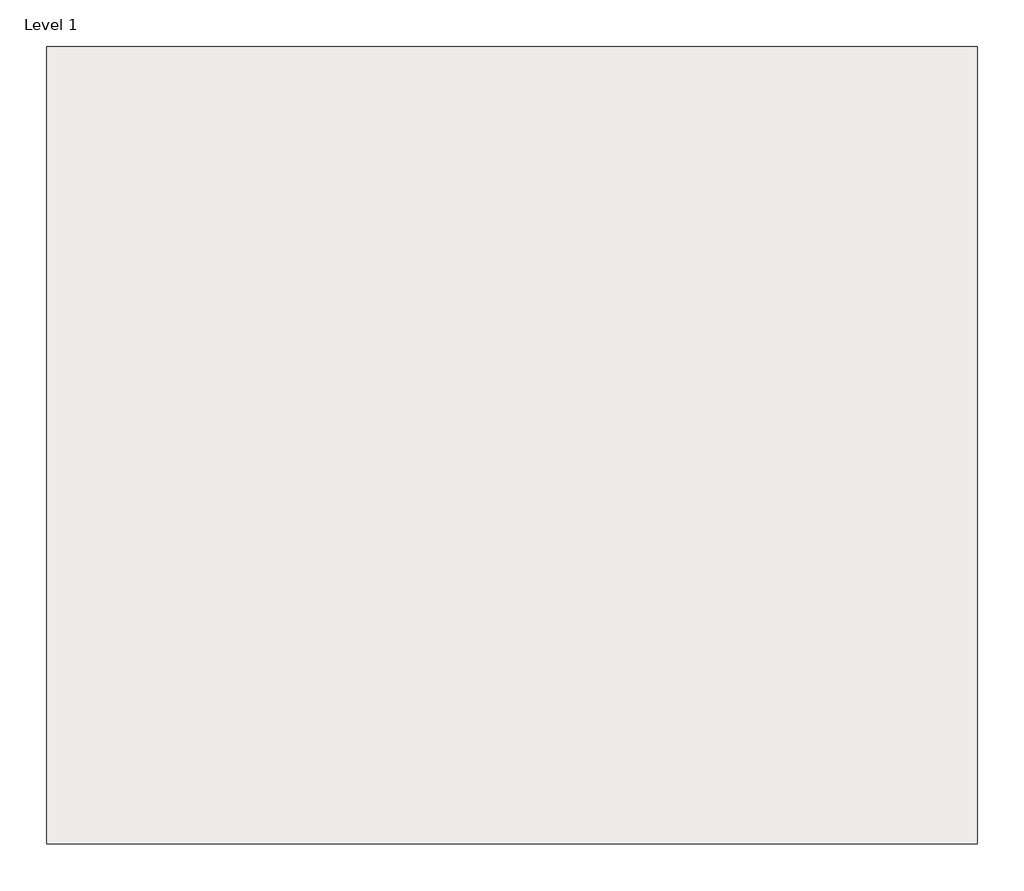
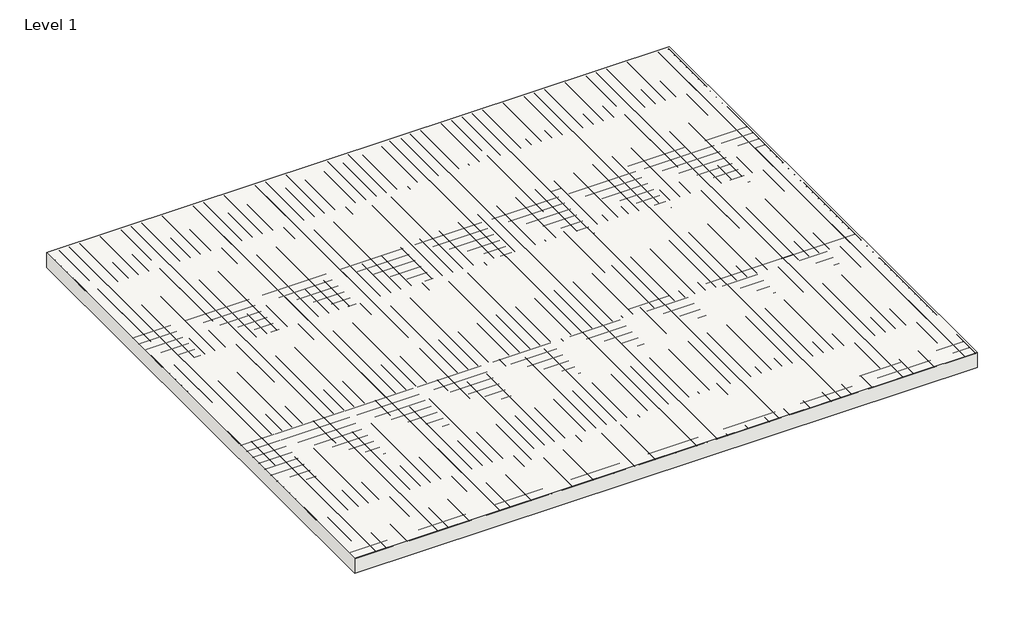
# One storey, part 1 of 2: 1 slab.
"""IFC4 building model written with IfcOpenShell, lengths in millimetres."""

from ifc_helpers import new_model, si_unit, frame, origin, place, context, project, spatial, polyline, outline, extrude, element, save

model = new_model("IFC4")

# Units and contexts
model_context = context("Model", 3, world=origin())
ifc_project = project(units=[si_unit("LENGTHUNIT", "METRE", prefix="MILLI")], contexts=[model_context])

# Site, building, storey
site = spatial("IfcSite", under=ifc_project)
building = spatial("IfcBuilding", under=site)
storey = spatial("IfcBuildingStorey", under=building, Name="Level 1", Elevation=0.0)

# Slab
placement = place(None, origin())
element("IfcSlab", 1, ObjectType="Generic 300mm", at=placement, inside=storey, context=model_context, shape_type="SweptSolid", body=[
    extrude(outline(polyline([(7314.1255085, 5440.995128), (7314.1255085, -4759.004872), (-4585.8744915, -4759.004872), (-4585.8744915, 5440.995128), (7314.1255085, 5440.995128)])), frame((0.0, 0.0, -300.0), z_axis=(0.0, 0.0, 1.0), x_axis=(1.0, 0.0, 0.0)), (0.0, 0.0, 1.0), 300.0),
])

save(model, "model.ifc")
